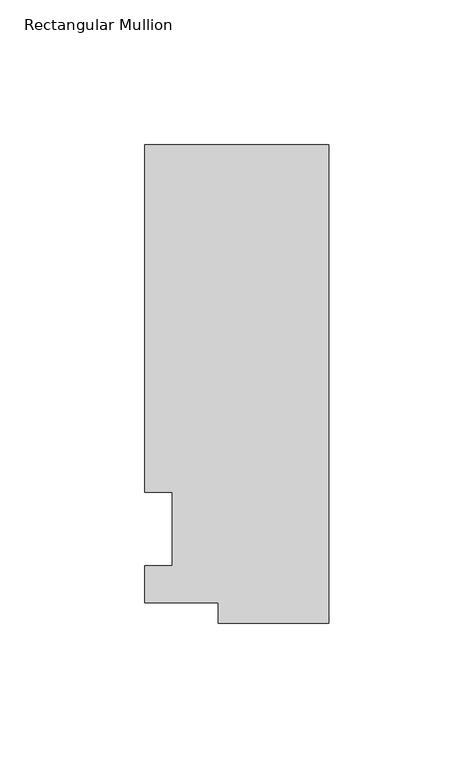
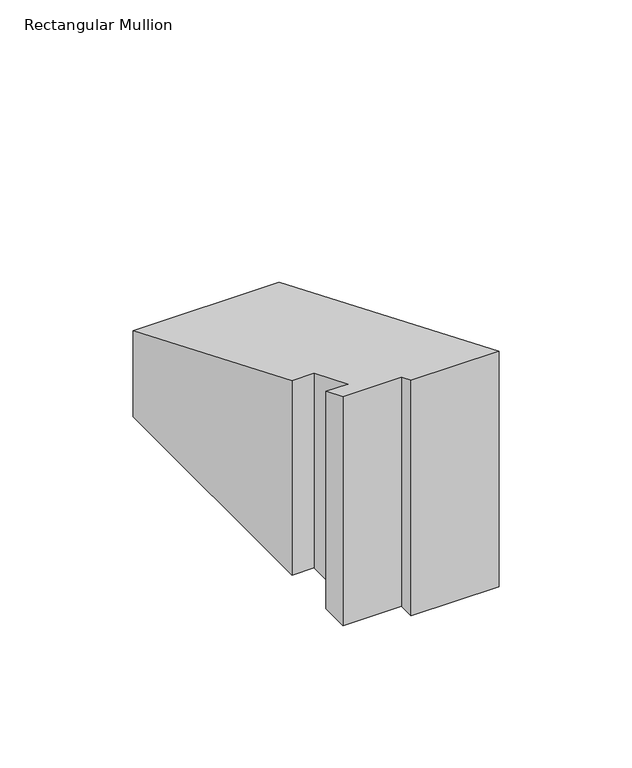
"""IFC4 building model written with IfcOpenShell, lengths in millimetres: member geometry, Rectangular Mullion."""

from ifc_helpers import new_model, si_unit, origin, place, context, project, spatial, faceted_brep, source, transform, mapped, element, save


def rectangular_mullion_dcb38457(model_context):
    return source(origin(), model_context, "Body", "Brep", [
        faceted_brep([(-38.1, -32.54375, -94.45625), (-38.1, -25.58415, -94.45625), (-63.5, -25.58415, -94.45625), (-63.5, -12.7, -94.45625), (-53.975, -12.7, -94.45625), (-53.975, 12.7, -94.45625), (-63.5, 12.7, -94.45625), (-63.5, 132.55625, -94.45625), (0.0, 132.55625, -94.45625), (0.0, -32.54375, -94.45625), (0.0, -32.54375, 13.4800626), (-38.1, -32.54375, 13.4800626), (0.0, 132.55625, -54.9065965), (-63.5, 132.55625, -54.9065965), (-63.5, 12.7, -5.2605122), (-53.975, 12.7, -5.2605122), (-53.975, -12.7, 5.2605122), (-63.5, -12.7, 5.2605122), (-63.5, -25.58415, 10.5973019), (-38.1, -25.58415, 10.5973019)], [[[0, 1, 2, 3, 4, 5, 6, 7, 8, 9]], [[10, 11, 0, 9]], [[12, 10, 9, 8]], [[13, 12, 8, 7]], [[14, 13, 7, 6]], [[15, 14, 6, 5]], [[16, 15, 5, 4]], [[17, 16, 4, 3]], [[18, 17, 3, 2]], [[19, 18, 2, 1]], [[11, 19, 1, 0]], [[11, 10, 12, 13, 14, 15, 16, 17, 18, 19]]]),
    ])


if __name__ == "__main__":
    model = new_model("IFC4")
    model_context = context("Model", 3, world=origin())
    ifc_project = project(units=[si_unit("LENGTHUNIT", "METRE", prefix="MILLI")], contexts=[model_context])
    site = spatial("IfcSite", under=ifc_project)
    building = spatial("IfcBuilding", under=site)
    placement = place(None, origin())
    rectangular_mullion_shape = rectangular_mullion_dcb38457(model_context)
    element("IfcMember", 1, ObjectType="Rectangular Mullion", at=placement, inside=building, context=model_context, shape_type="MappedRepresentation", body=[
        mapped(rectangular_mullion_shape, transform((0.0, 0.0, 0.0), x_axis=(1.0, 0.0, 0.0), y_axis=(0.0, 1.0, 0.0), z_axis=(0.0, 0.0, 1.0))),
    ])
    save(model, "model.ifc")
